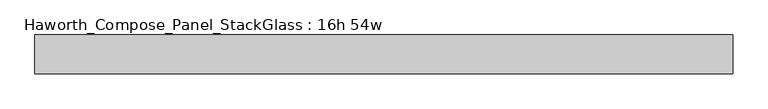
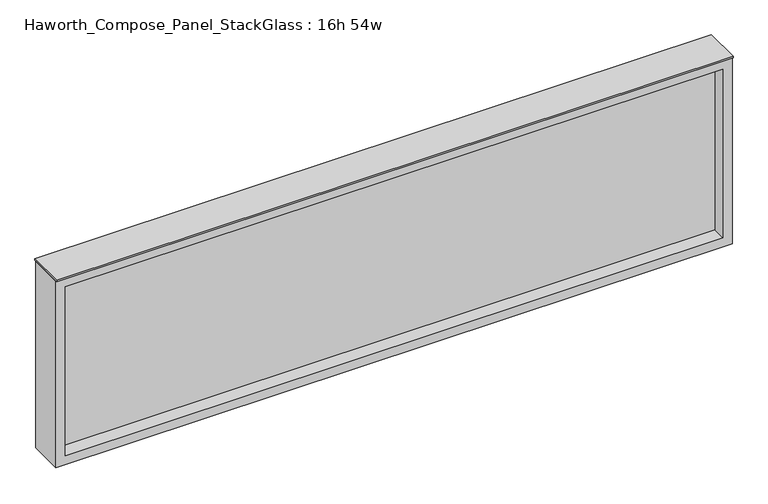
"""IFC4 building model written with IfcOpenShell, lengths in millimetres: furniture geometry, Haworth_Compose_Panel_StackGlass : 16h 54w."""

from ifc_helpers import new_model, si_unit, frame, origin, place, context, project, spatial, polyline, outline, extrude, source, transform, mapped, element, save


def haworth_compose_panel_stackglass_16h_54w_5e7093ca(model_context):
    return source(origin(), model_context, "Body", "SweptSolid", [
        extrude(outline(polyline([(669.1902902, -6.35), (-664.3097098, -6.35), (-664.3097098, 6.35), (669.1902902, 6.35), (669.1902902, -6.35)])), frame((0.0, 0.0, 1085.85), z_axis=(0.0, 0.0, 1.0), x_axis=(1.0, 0.0, 0.0)), (0.0, 0.0, 1.0), 361.95),
        extrude(outline(polyline([(1466.85, -683.3597098), (1066.8, -683.3597098), (1066.8, 688.2402902), (1466.85, 688.2402902), (1466.85, -683.3597098)]), holes=[polyline([(1447.8, 669.1902902), (1085.85, 669.1902902), (1085.85, -664.3097098), (1447.8, -664.3097098), (1447.8, 669.1902902)])]), frame((0.0, -34.925, 0.0), z_axis=(0.0, 1.0, 0.0), x_axis=(0.0, 0.0, 1.0)), (0.0, 0.0, 1.0), 69.85),
        extrude(outline(polyline([(-683.3597098, -38.1), (-683.3597098, 38.1), (688.2402902, 38.1), (688.2402902, -38.1), (-683.3597098, -38.1)])), frame((0.0, 0.0, 1466.85), z_axis=(0.0, 0.0, 1.0), x_axis=(1.0, 0.0, 0.0)), (0.0, 0.0, 1.0), 3.175),
    ])


if __name__ == "__main__":
    model = new_model("IFC4")
    model_context = context("Model", 3, world=origin())
    ifc_project = project(units=[si_unit("LENGTHUNIT", "METRE", prefix="MILLI")], contexts=[model_context])
    site = spatial("IfcSite", under=ifc_project)
    building = spatial("IfcBuilding", under=site)
    placement = place(None, origin())
    haworth_compose_panel_stackglass_16h_54w_shape = haworth_compose_panel_stackglass_16h_54w_5e7093ca(model_context)
    element("IfcFurniture", 1, ObjectType="Haworth_Compose_Panel_StackGlass : 16h 54w", at=placement, inside=building, context=model_context, shape_type="MappedRepresentation", body=[
        mapped(haworth_compose_panel_stackglass_16h_54w_shape, transform((0.0, 0.0, 0.0), x_axis=(1.0, 0.0, 0.0), y_axis=(0.0, 1.0, 0.0), z_axis=(0.0, 0.0, 1.0))),
    ])
    save(model, "model.ifc")
